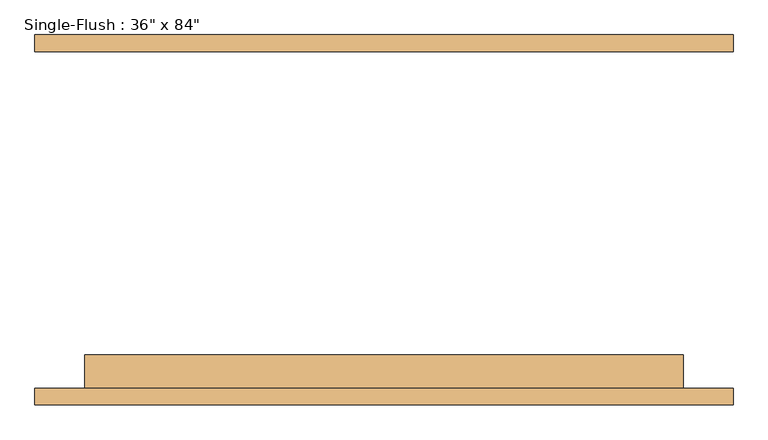
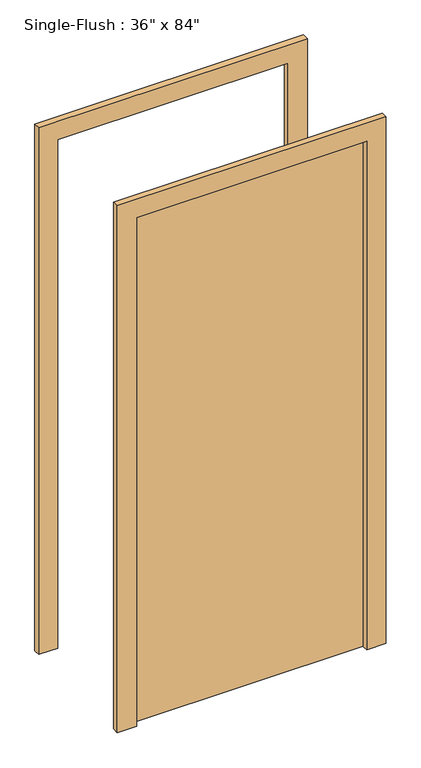
"""IFC4 building model written with IfcOpenShell, lengths in millimetres: door geometry."""

from ifc_helpers import new_model, si_unit, frame, origin, origin_with_axes, place, context, project, spatial, polyline, outline, extrude, source, transform, mapped, element, save


def door_82b793f5(model_context):
    return source(origin(), model_context, "Body", "SweptSolid", [
        extrude(outline(polyline([(2209.8, -533.4), (0.0, -533.4), (0.0, -457.2), (2133.6, -457.2), (2133.6, 457.2), (0.0, 457.2), (0.0, 533.4), (2209.8, 533.4), (2209.8, -533.4)])), frame((0.0, -282.9, 0.0), z_axis=(0.0, 1.0, 0.0), x_axis=(0.0, 0.0, 1.0)), (0.0, 0.0, 1.0), 25.4),
        extrude(outline(polyline([(2209.8, 533.4), (2209.8, -533.4), (0.0, -533.4), (0.0, -457.2), (2133.6, -457.2), (2133.6, 457.2), (0.0, 457.2), (0.0, 533.4), (2209.8, 533.4)])), frame((0.0, 257.5, 0.0), z_axis=(0.0, 1.0, 0.0), x_axis=(0.0, 0.0, 1.0)), (0.0, 0.0, 1.0), 25.4),
        extrude(outline(polyline([(457.2, -206.7), (457.2, -257.5), (-457.2, -257.5), (-457.2, -206.7), (457.2, -206.7)])), origin_with_axes(), (0.0, 0.0, 1.0), 2133.6),
    ])


if __name__ == "__main__":
    model = new_model("IFC4")
    model_context = context("Model", 3, world=origin())
    ifc_project = project(units=[si_unit("LENGTHUNIT", "METRE", prefix="MILLI")], contexts=[model_context])
    site = spatial("IfcSite", under=ifc_project)
    building = spatial("IfcBuilding", under=site)
    placement = place(None, origin())
    door_shape = door_82b793f5(model_context)
    element("IfcDoor", 1, ObjectType="Single-Flush : 36\" x 84\"", at=placement, inside=building, context=model_context, shape_type="MappedRepresentation", body=[
        mapped(door_shape, transform((0.0, 0.0, 0.0), x_axis=(1.0, 0.0, 0.0), y_axis=(0.0, 1.0, 0.0), z_axis=(0.0, 0.0, 1.0))),
    ])
    save(model, "model.ifc")
